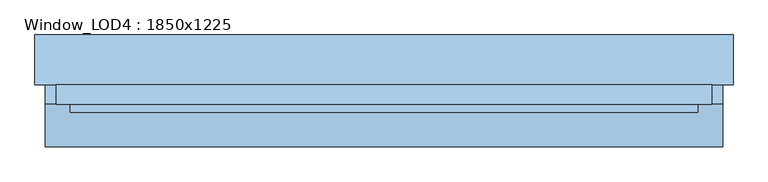
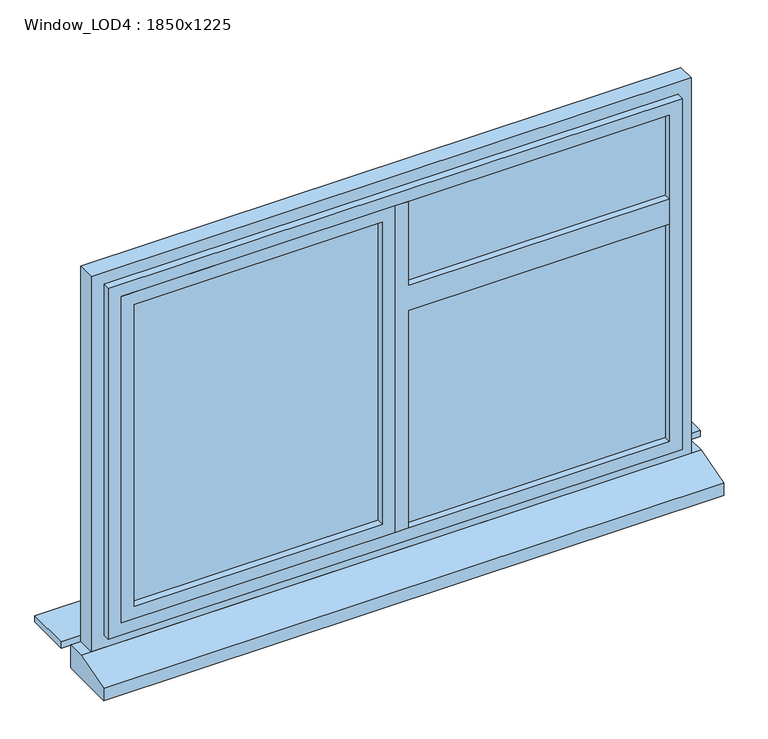
"""IFC4 building model written with IfcOpenShell, lengths in millimetres: window geometry, Window_LOD4 : 1850x1225."""

from ifc_helpers import new_model, si_unit, frame, origin, place, context, project, spatial, polyline, outline, extrude, source, transform, mapped, element, save


def window_lod4_1850x1225_89d18b22(model_context):
    return source(origin(), model_context, "Body", "SweptSolid", [
        extrude(outline(polyline([(1590.0, 40.0), (1590.0, 845.000037), (1670.0, 845.000037), (1670.0, 40.0), (1945.0000491, 40.0), (1945.0000491, 0.0), (880.0, 0.0), (880.0, 40.0), (1590.0, 40.0)])), frame((0.0, -95.0, 0.0), z_axis=(0.0, 1.0, 0.0), x_axis=(0.0, 0.0, 1.0)), (0.0, 0.0, 1.0), 55.0),
        extrude(outline(polyline([(1945.0000491, 0.0), (1945.0000491, -845.000037), (880.0, -845.000037), (880.0, 0.0), (1945.0000491, 0.0)]), holes=[polyline([(1905.0000491, -40.0), (920.0, -40.0), (920.0, -805.000037), (1905.0000491, -805.000037), (1905.0000491, -40.0)])]), frame((0.0, -95.0, 0.0), z_axis=(0.0, 1.0, 0.0), x_axis=(0.0, 0.0, 1.0)), (0.0, 0.0, 1.0), 55.0),
        extrude(outline(polyline([(845.000037, -62.5), (845.000037, -72.5), (40.0, -72.5), (40.0, -62.5), (845.000037, -62.5)])), frame((0.0, 0.0, 880.0), z_axis=(0.0, 0.0, 1.0), x_axis=(1.0, 0.0, 0.0)), (0.0, 0.0, 1.0), 1065.0000491),
        extrude(outline(polyline([(1985.0000491, -885.000037), (840.0, -885.000037), (840.0, 885.000037), (1985.0000491, 885.000037), (1985.0000491, -885.000037)]), holes=[polyline([(1945.0000491, -845.000037), (1945.0000491, 845.000037), (880.0, 845.000037), (880.0, -845.000037), (1945.0000491, -845.000037)])]), frame((0.0, -95.0, 0.0), z_axis=(0.0, 1.0, 0.0), x_axis=(0.0, 0.0, 1.0)), (0.0, 0.0, 1.0), 55.0),
        extrude(outline(polyline([(-40.0, -62.5), (-40.0, -72.5), (-845.000037, -72.5), (-845.000037, -62.5), (-40.0, -62.5)])), frame((0.0, 0.0, 880.0), z_axis=(0.0, 0.0, 1.0), x_axis=(1.0, 0.0, 0.0)), (0.0, 0.0, 1.0), 1065.0000491),
        extrude(outline(polyline([(-72.5, 800.0), (-17.5, 800.0), (-17.5, 725.0), (-192.5, 725.0), (-192.5, 765.0), (-72.5, 800.0)])), frame((-955.8151868, 0.0, 0.0), z_axis=(1.0, 0.0, 0.0), x_axis=(0.0, 1.0, 0.0)), (0.0, 0.0, 1.0), 1911.6303737),
        extrude(outline(polyline([(2025.0000491, -925.000037), (800.0, -925.000037), (800.0, 925.000037), (2025.0000491, 925.000037), (2025.0000491, -925.000037)]), holes=[polyline([(1985.0000491, -885.000037), (1985.0000491, 885.000037), (840.0, 885.000037), (840.0, -885.000037), (1985.0000491, -885.000037)])]), frame((0.0, -72.5, 0.0), z_axis=(0.0, 1.0, 0.0), x_axis=(0.0, 0.0, 1.0)), (0.0, 0.0, 1.0), 55.0),
        extrude(outline(polyline([(985.000037, -17.5), (-985.000037, -17.5), (-985.000037, 123.2707589), (985.000037, 123.2707589), (985.000037, -17.5)])), frame((0.0, 0.0, 800.0), z_axis=(0.0, 0.0, 1.0), x_axis=(1.0, 0.0, 0.0)), (0.0, 0.0, 1.0), 20.0),
    ])


if __name__ == "__main__":
    model = new_model("IFC4")
    model_context = context("Model", 3, world=origin())
    ifc_project = project(units=[si_unit("LENGTHUNIT", "METRE", prefix="MILLI")], contexts=[model_context])
    site = spatial("IfcSite", under=ifc_project)
    building = spatial("IfcBuilding", under=site)
    placement = place(None, origin())
    window_lod4_1850x1225_shape = window_lod4_1850x1225_89d18b22(model_context)
    element("IfcWindow", 1, ObjectType="Window_LOD4 : 1850x1225", at=placement, inside=building, context=model_context, shape_type="MappedRepresentation", body=[
        mapped(window_lod4_1850x1225_shape, transform((0.0, 0.0, 0.0), x_axis=(1.0, 0.0, 0.0), y_axis=(0.0, 1.0, 0.0), z_axis=(0.0, 0.0, 1.0))),
    ])
    save(model, "model.ifc")
